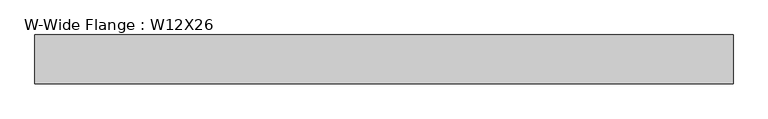
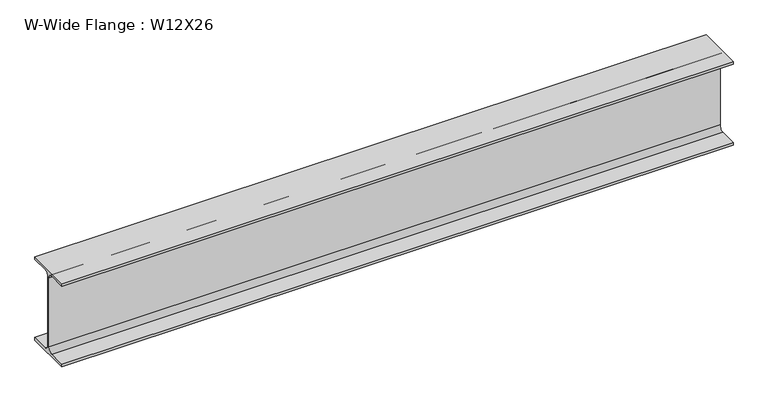
"""IFC4 building model written with IfcOpenShell, lengths in millimetres: beam geometry, W-Wide Flange : W12X26."""

from ifc_helpers import new_model, si_unit, point, frame, frame_2d, origin, place, context, project, spatial, polyline, circle_curve, trimmed, segment, composite_curve, outline, extrude, source, transform, mapped, element, save


def w_wide_flange_w12x26_c6dd8cfd(model_context):
    return source(origin(), model_context, "Body", "SweptSolid", [
        extrude(outline(composite_curve([segment(polyline([(82.4011719, -145.5539063), (82.4011719, -155.178125), (-82.4011719, -155.178125), (-82.4011719, -145.5539063), (-20.2902344, -145.5539063)]), True, "CONTINUOUS"), segment(trimmed(circle_curve(frame_2d((-20.2902344, -128.190625)), 17.3632812), [point((-20.2902344, -145.5539063))], [point((-2.9269531, -128.190625))], True, "CARTESIAN"), True, "CONTINUOUS"), segment(polyline([(-2.9269531, -128.190625), (-2.9269531, 128.190625)]), True, "CONTINUOUS"), segment(trimmed(circle_curve(frame_2d((-20.2902344, 128.190625)), 17.3632812), [point((-2.9269531, 128.190625))], [point((-20.2902344, 145.5539062))], True, "CARTESIAN"), True, "CONTINUOUS"), segment(polyline([(-20.2902344, 145.5539062), (-82.4011719, 145.5539062), (-82.4011719, 155.178125), (82.4011719, 155.178125), (82.4011719, 145.5539062), (20.2902344, 145.5539062)]), True, "CONTINUOUS"), segment(trimmed(circle_curve(frame_2d((20.2902344, 128.190625)), 17.3632812), [point((20.2902344, 145.5539062))], [point((2.9269531, 128.190625))], True, "CARTESIAN"), True, "CONTINUOUS"), segment(polyline([(2.9269531, 128.190625), (2.9269531, -128.190625)]), True, "CONTINUOUS"), segment(trimmed(circle_curve(frame_2d((20.2902344, -128.190625)), 17.3632812), [point((2.9269531, -128.190625))], [point((20.2902344, -145.5539063))], True, "CARTESIAN"), True, "CONTINUOUS"), segment(polyline([(20.2902344, -145.5539063), (82.4011719, -145.5539063)]), True, "CONTINUOUS")], self_intersect=False)), frame((-1181.3480469, 0.0, 0.0), z_axis=(1.0, 0.0, 0.0), x_axis=(0.0, 1.0, 0.0)), (0.0, 0.0, 1.0), 2362.6960938),
    ])


if __name__ == "__main__":
    model = new_model("IFC4")
    model_context = context("Model", 3, world=origin())
    ifc_project = project(units=[si_unit("LENGTHUNIT", "METRE", prefix="MILLI")], contexts=[model_context])
    site = spatial("IfcSite", under=ifc_project)
    building = spatial("IfcBuilding", under=site)
    placement = place(None, origin())
    w_wide_flange_w12x26_shape = w_wide_flange_w12x26_c6dd8cfd(model_context)
    element("IfcBeam", 1, ObjectType="W-Wide Flange : W12X26", at=placement, inside=building, context=model_context, shape_type="MappedRepresentation", body=[
        mapped(w_wide_flange_w12x26_shape, transform((0.0, 0.0, 0.0), x_axis=(1.0, 0.0, 0.0), y_axis=(0.0, 1.0, 0.0), z_axis=(0.0, 0.0, 1.0))),
    ])
    save(model, "model.ifc")
